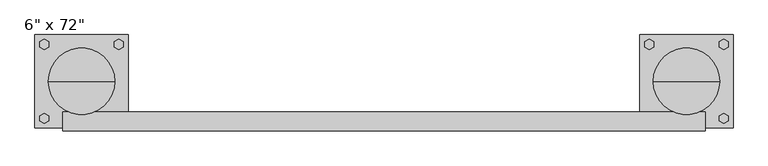
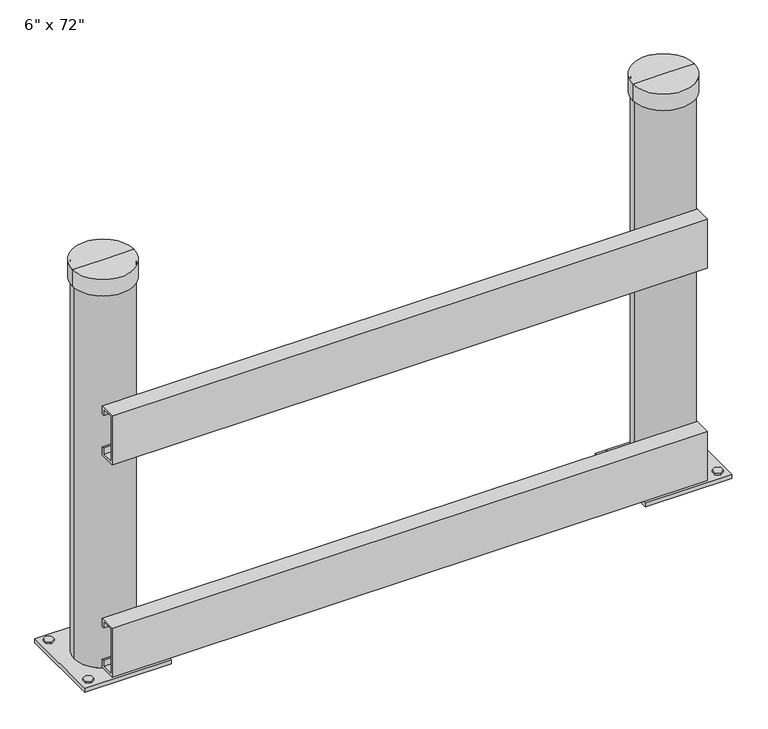
"""IFC4 building model written with IfcOpenShell, lengths in millimetres: proxy geometry."""

import ifcopenshell
import ifcopenshell.guid

model = None  # the IFC model being written
_history = None  # IfcOwnerHistory: only IFC2X3 demands one
_inside = {}  # id of a spatial element -> (the spatial element, [elements in it])
_under = {}  # id of a project, library or spatial element -> (it, [spatial elements below it])
_declared = {}  # id of a project -> (the project, [libraries it declares])
_typed = {}  # id of a type object -> (the type object, [elements of that type])
_made_of = {}  # id of a material, layer set ... -> (it, [elements and type objects made of it])


def new_model(schema):
    """Start an empty IFC model of exactly this schema.

    Asked for "IFC4X3", IfcOpenShell would pick the latest addendum, in which some entities
    have other attributes; the version numbers below select the first issue.
    IFC2X3 requires an IfcOwnerHistory on every rooted entity: one is made here for all.
    """
    global model, _history
    if schema == "IFC4X3":
        model = ifcopenshell.file(schema_version=(4, 3, 0, 0))
    else:
        model = ifcopenshell.file(schema=schema)
    _inside.clear()
    _under.clear()
    _declared.clear()
    _typed.clear()
    _made_of.clear()
    _history = None
    if model.schema == "IFC2X3":
        org = make("IfcOrganization", Name="unknown")
        user = make(
            "IfcPersonAndOrganization",
            ThePerson=make("IfcPerson", FamilyName="unknown"),
            TheOrganization=org,
        )
        app = make(
            "IfcApplication",
            ApplicationDeveloper=org,
            Version="unknown",
            ApplicationFullName="unknown",
            ApplicationIdentifier="unknown",
        )
        _history = make(
            "IfcOwnerHistory",
            OwningUser=user,
            OwningApplication=app,
            ChangeAction="ADDED",
            CreationDate=0,
        )
    return model


def make(cls, **values):
    """One entity of the class cls with the attributes given. An attribute that is None is left unset."""
    return model.create_entity(
        cls, **{name: value for name, value in values.items() if value is not None}
    )


def rooted(cls, **values):
    """An entity with a GlobalId (a new one), such as an element, a storey or a relation."""
    return make(cls, GlobalId=ifcopenshell.guid.new(), OwnerHistory=_history, **values)


def si_unit(unit_type, name, prefix=None):
    """IfcSIUnit, for example si_unit("LENGTHUNIT", "METRE", prefix="MILLI")."""
    return make("IfcSIUnit", UnitType=unit_type, Prefix=prefix, Name=name)


def assignment(units):
    """IfcUnitAssignment: the units of a project."""
    return None if units is None else make("IfcUnitAssignment", Units=units)


def point(xyz):
    """IfcCartesianPoint."""
    return None if xyz is None else make("IfcCartesianPoint", Coordinates=xyz)


def direction(xyz):
    """IfcDirection."""
    return None if xyz is None else make("IfcDirection", DirectionRatios=xyz)


def frame(location, z_axis=None, x_axis=None):
    """IfcAxis2Placement3D, a coordinate frame: its origin and axes. An axis left out is left unset."""
    return make(
        "IfcAxis2Placement3D",
        Location=point(location),
        Axis=direction(z_axis),
        RefDirection=direction(x_axis),
    )


def origin():
    """The frame at (0, 0, 0) with its axes left unset."""
    return frame((0.0, 0.0, 0.0))


def place(relative_to, where):
    """IfcLocalPlacement: puts the frame where relative to a parent placement (None: the world)."""
    return make(
        "IfcLocalPlacement", PlacementRelTo=relative_to, RelativePlacement=where
    )


def context(
    kind, dimensions, precision=None, world=None, true_north=None, identifier=None
):
    """IfcGeometricRepresentationContext, for example the 3D "Model" context."""
    return make(
        "IfcGeometricRepresentationContext",
        ContextIdentifier=identifier,
        ContextType=kind,
        CoordinateSpaceDimension=dimensions,
        Precision=precision,
        WorldCoordinateSystem=world,
        TrueNorth=true_north,
    )


def project(units=None, contexts=None):
    """IfcProject with its units and contexts."""
    return rooted(
        "IfcProject",
        Name="project",
        RepresentationContexts=contexts,
        UnitsInContext=assignment(units),
    )


def spatial(cls, under=None, at=None, **own):
    """A site, building, storey or space (cls), placed at a placement, below another one or the project."""
    s = rooted(cls, ObjectPlacement=at, **own)
    if under is not None:
        _under.setdefault(under.id(), (under, []))[1].append(s)
    return s


def polyline(points):
    """IfcPolyline through the points."""
    return make("IfcPolyline", Points=[point(p) for p in points])


def circle_curve(where, radius):
    """IfcCircle in the frame where."""
    return make("IfcCircle", Position=where, Radius=radius)


def outline(outer, holes=None, kind="AREA"):
    """IfcArbitraryClosedProfileDef: a profile drawn as a closed curve; with holes, ...WithVoids."""
    if holes is None:
        return make("IfcArbitraryClosedProfileDef", ProfileType=kind, OuterCurve=outer)
    return make(
        "IfcArbitraryProfileDefWithVoids",
        ProfileType=kind,
        OuterCurve=outer,
        InnerCurves=holes,
    )


def extrude(swept, where, along, depth):
    """IfcExtrudedAreaSolid: the profile swept, set in the frame where, extruded along a direction by depth."""
    return make(
        "IfcExtrudedAreaSolid",
        SweptArea=swept,
        Position=where,
        ExtrudedDirection=direction(along),
        Depth=depth,
    )


def shape(context_of_items, identifier, shape_type, items):
    """IfcShapeRepresentation: the items that make up one representation, for example the "Body"."""
    return make(
        "IfcShapeRepresentation",
        ContextOfItems=context_of_items,
        RepresentationIdentifier=identifier,
        RepresentationType=shape_type,
        Items=items,
    )


def source(mapping_origin, context_of_items, identifier, shape_type, items):
    """IfcRepresentationMap: a shape defined once, which mapped items show again and again."""
    return make(
        "IfcRepresentationMap",
        MappingOrigin=mapping_origin,
        MappedRepresentation=shape(context_of_items, identifier, shape_type, items),
    )


def transform(
    local_origin,
    x_axis=None,
    y_axis=None,
    z_axis=None,
    scale=None,
    scale2=None,
    scale3=None,
    uniform=True,
):
    """IfcCartesianTransformationOperator3D, or its non-uniform kind. x_axis, y_axis, z_axis: its Axis1, 2, 3."""
    if uniform:
        return make(
            "IfcCartesianTransformationOperator3D",
            Axis1=direction(x_axis),
            Axis2=direction(y_axis),
            LocalOrigin=point(local_origin),
            Scale=scale,
            Axis3=direction(z_axis),
        )
    return make(
        "IfcCartesianTransformationOperator3DnonUniform",
        Axis1=direction(x_axis),
        Axis2=direction(y_axis),
        LocalOrigin=point(local_origin),
        Scale=scale,
        Axis3=direction(z_axis),
        Scale2=scale2,
        Scale3=scale3,
    )


def mapped(mapping_source, mapping_target):
    """IfcMappedItem: shows the shape of a source again, moved by a transform."""
    return make(
        "IfcMappedItem", MappingSource=mapping_source, MappingTarget=mapping_target
    )


def made_of(thing, what):
    """Note that an element or type object is made of a material, layer set ...; save() writes the relation."""
    if what is not None:
        _made_of.setdefault(what.id(), (what, []))[1].append(thing)
    return thing


def element(
    cls,
    number,
    at=None,
    inside=None,
    cuts=None,
    type_object=None,
    material=None,
    context=None,
    identifier="Body",
    shape_type=None,
    held_by="IfcProductDefinitionShape",
    body=None,
    shapes=None,
    **own,
):
    """One element of the class cls, such as IfcWall. Its Tag is "e" and its number.

    at: its placement. inside: the storey or other place that contains it. cuts: it is an
    opening in that element (IfcRelVoidsElement). A single representation is given by context,
    identifier, shape_type and body (its items); several are given by shapes. held_by: the class
    of the entity that holds the representations. save() writes the other relations.
    """
    e = rooted(cls, Tag="e%d" % number, ObjectPlacement=at, **own)
    if body is not None:
        shapes = [shape(context, identifier, shape_type, body)]
    if shapes is not None:
        e.Representation = make(held_by, Representations=shapes)
    if inside is not None:
        _inside.setdefault(inside.id(), (inside, []))[1].append(e)
    if cuts is not None:
        rooted(
            "IfcRelVoidsElement", RelatingBuildingElement=cuts, RelatedOpeningElement=e
        )
    if type_object is not None:
        _typed.setdefault(type_object.id(), (type_object, []))[1].append(e)
    return made_of(e, material)


def aggregate(whole, parts):
    """IfcRelAggregates: a whole, such as a stair, and the parts it consists of."""
    return rooted("IfcRelAggregates", RelatingObject=whole, RelatedObjects=parts)


def save(model, path):
    """Write the relations noted so far, then the file.

    IfcRelAggregates (storeys below a building ...), IfcRelContainedInSpatialStructure (elements
    in a storey), IfcRelDefinesByType, IfcRelAssociatesMaterial and IfcRelDeclares: one each for
    every whole, place, type object, material and project.
    """
    for whole, parts in _under.values():
        aggregate(whole, parts)
    for where, things in _inside.values():
        rooted(
            "IfcRelContainedInSpatialStructure",
            RelatedElements=things,
            RelatingStructure=where,
        )
    for kind, things in _typed.values():
        rooted("IfcRelDefinesByType", RelatedObjects=things, RelatingType=kind)
    for what, things in _made_of.values():
        rooted("IfcRelAssociatesMaterial", RelatedObjects=things, RelatingMaterial=what)
    for by, libraries in _declared.values():
        rooted("IfcRelDeclares", RelatingContext=by, RelatedDefinitions=libraries)
    model.write(path)


def plane_surface(at):
    """IfcPlane: the flat surface through the origin of the frame at, square to its z axis."""
    return make("IfcPlane", Position=at)


def cylinder_surface(at, radius):
    """IfcCylindricalSurface: all points at the distance radius from the z axis of the frame at."""
    return make("IfcCylindricalSurface", Position=at, Radius=radius)


def revolved_surface(curve, axis_point, axis_direction):
    """IfcSurfaceOfRevolution: the curve turned about the line through axis_point along axis_direction."""
    return make(
        "IfcSurfaceOfRevolution",
        SweptCurve=make("IfcArbitraryOpenProfileDef", ProfileType="CURVE", Curve=curve),
        AxisPosition=make("IfcAxis1Placement", Location=point(axis_point), Axis=direction(axis_direction)),
    )


def advanced_brep(points, edges, surfaces, faces):
    """IfcAdvancedBrep: a solid bounded by faces that lie on surfaces and meet in shared edges.

    An edge is (start, end): straight between two places in points (the first is 0);
    or (start, end, curve); or (start, end, curve, False) where it runs against its curve.
    A face is (place in surfaces, loops), or (place, loops, False) where it looks against
    its surface's normal. A loop lists edges by number (the first is 1), with a minus sign
    where the edge is run from its end to its start. The first loop is the outer one.
    """
    corners = [point(p) for p in points]
    vertices = [make("IfcVertexPoint", VertexGeometry=c) for c in corners]
    made = []
    for start, end, *more in edges:
        made.append(
            make(
                "IfcEdgeCurve",
                EdgeStart=vertices[start],
                EdgeEnd=vertices[end],
                EdgeGeometry=more[0] if more else make("IfcPolyline", Points=[corners[start], corners[end]]),
                SameSense=more[1] if len(more) > 1 else True,
            )
        )
    hull = []
    for where, loops, *sense in faces:
        bounds = []
        for j, loop in enumerate(loops):
            ring = [make("IfcOrientedEdge", EdgeElement=made[abs(k) - 1], Orientation=k > 0) for k in loop]
            bounds.append(
                make(
                    "IfcFaceOuterBound" if j == 0 else "IfcFaceBound",
                    Bound=make("IfcEdgeLoop", EdgeList=ring),
                    Orientation=True,
                )
            )
        hull.append(make("IfcAdvancedFace", Bounds=bounds, FaceSurface=surfaces[where], SameSense=sense[0] if sense else True))
    return make("IfcAdvancedBrep", Outer=make("IfcClosedShell", CfsFaces=hull))


def proxy_ac0a9ae7(model_context):
    return source(origin(), model_context, "Body", "SolidModel", [
        extrude(outline(polyline([(722.1894644, -115.3513169), (709.956499, -108.2886111), (709.956499, -94.1631994), (722.1894644, -87.1004935), (734.4224297, -94.1631994), (734.4224297, -108.2886111), (722.1894644, -115.3513169)])), frame((0.0, 0.0, 12.7), z_axis=(0.0, 0.0, 1.0), x_axis=(1.0, 0.0, 0.0)), (0.0, 0.0, 1.0), 6.3730774),
        extrude(outline(polyline([(925.2386606, -115.3513169), (913.0056953, -108.2886111), (913.0056953, -94.1631994), (925.2386606, -87.1004935), (937.471626, -94.1631994), (937.471626, -108.2886111), (925.2386606, -115.3513169)])), frame((0.0, 0.0, 12.7), z_axis=(0.0, 0.0, 1.0), x_axis=(1.0, 0.0, 0.0)), (0.0, 0.0, 1.0), 6.3730774),
        extrude(outline(polyline([(722.1894644, 115.3513169), (734.4224297, 108.2886111), (734.4224297, 94.1631994), (722.1894644, 87.1004935), (709.956499, 94.1631994), (709.956499, 108.2886111), (722.1894644, 115.3513169)])), frame((0.0, 0.0, 12.7), z_axis=(0.0, 0.0, 1.0), x_axis=(1.0, 0.0, 0.0)), (0.0, 0.0, 1.0), 6.3730774),
        extrude(outline(polyline([(925.2386606, 115.3513169), (937.471626, 108.2886111), (937.471626, 94.1631994), (925.2386606, 87.1004935), (913.0056953, 94.1631994), (913.0056953, 108.2886111), (925.2386606, 115.3513169)])), frame((0.0, 0.0, 12.7), z_axis=(0.0, 0.0, 1.0), x_axis=(1.0, 0.0, 0.0)), (0.0, 0.0, 1.0), 6.3730774),
        advanced_brep(
        [(696.9125, -127.0, 12.7), (950.9125, -127.0, 12.7), (950.9125, 127.0, 12.7), (696.9125, 127.0, 12.7), (739.775, 0.0, 12.7), (908.05, 0.0, 12.7), (935.0375, 101.6, 12.7), (915.9875, 101.6, 12.7), (731.8375, 101.6, 12.7), (712.7875, 101.6, 12.7), (935.0375, -101.6, 12.7), (915.9875, -101.6, 12.7), (731.8375, -101.6, 12.7), (712.7875, -101.6, 12.7), (747.7125, 0.0, 12.7), (900.1125, 0.0, 12.7), (696.9125, -127.0, 0.0), (696.9125, 127.0, 0.0), (950.9125, 127.0, 0.0), (950.9125, -127.0, 0.0), (935.0375, 101.6, 0.0), (915.9875, 101.6, 0.0), (731.8375, 101.6, 0.0), (712.7875, 101.6, 0.0), (935.0375, -101.6, 0.0), (915.9875, -101.6, 0.0), (731.8375, -101.6, 0.0), (712.7875, -101.6, 0.0), (908.05, 0.0, 1219.2), (739.775, 0.0, 1219.2), (900.1125, 0.0, 1219.2), (747.7125, 0.0, 1219.2)],
        [
            (0, 1),
            (1, 2),
            (2, 3),
            (3, 0),
            (4, 5, circle_curve(frame((823.9125, 0.0, 12.7), z_axis=(0.0, 0.0, -1.0), x_axis=(-1.0, 0.0, 0.0)), 84.1375)),
            (5, 4, circle_curve(frame((823.9125, 0.0, 12.7), z_axis=(0.0, 0.0, -1.0), x_axis=(-1.0, 0.0, 0.0)), 84.1375)),
            (6, 7, circle_curve(frame((925.5125, 101.6, 12.7), z_axis=(0.0, 0.0, -1.0), x_axis=(-1.0, 0.0, 0.0)), 9.525)),
            (7, 6, circle_curve(frame((925.5125, 101.6, 12.7), z_axis=(0.0, 0.0, -1.0), x_axis=(-1.0, 0.0, 0.0)), 9.525)),
            (8, 9, circle_curve(frame((722.3125, 101.6, 12.7), z_axis=(0.0, 0.0, -1.0), x_axis=(-1.0, 0.0, 0.0)), 9.525)),
            (9, 8, circle_curve(frame((722.3125, 101.6, 12.7), z_axis=(0.0, 0.0, -1.0), x_axis=(-1.0, 0.0, 0.0)), 9.525)),
            (10, 11, circle_curve(frame((925.5125, -101.6, 12.7), z_axis=(0.0, 0.0, -1.0), x_axis=(-1.0, 0.0, 0.0)), 9.525)),
            (11, 10, circle_curve(frame((925.5125, -101.6, 12.7), z_axis=(0.0, 0.0, -1.0), x_axis=(-1.0, 0.0, 0.0)), 9.525)),
            (12, 13, circle_curve(frame((722.3125, -101.6, 12.7), z_axis=(0.0, 0.0, -1.0), x_axis=(-1.0, 0.0, 0.0)), 9.525)),
            (13, 12, circle_curve(frame((722.3125, -101.6, 12.7), z_axis=(0.0, 0.0, -1.0), x_axis=(-1.0, 0.0, 0.0)), 9.525)),
            (14, 15, circle_curve(frame((823.9125, 0.0, 12.7), z_axis=(0.0, 0.0, 1.0), x_axis=(-1.0, 0.0, 0.0)), 76.2)),
            (15, 14, circle_curve(frame((823.9125, 0.0, 12.7), z_axis=(0.0, 0.0, 1.0), x_axis=(-1.0, 0.0, 0.0)), 76.2)),
            (16, 17),
            (17, 18),
            (18, 19),
            (19, 16),
            (20, 21, circle_curve(frame((925.5125, 101.6, 0.0), z_axis=(0.0, 0.0, 1.0), x_axis=(-1.0, 0.0, 0.0)), 9.525)),
            (21, 20, circle_curve(frame((925.5125, 101.6, 0.0), z_axis=(0.0, 0.0, 1.0), x_axis=(-1.0, 0.0, 0.0)), 9.525)),
            (22, 23, circle_curve(frame((722.3125, 101.6, 0.0), z_axis=(0.0, 0.0, 1.0), x_axis=(-1.0, 0.0, 0.0)), 9.525)),
            (23, 22, circle_curve(frame((722.3125, 101.6, 0.0), z_axis=(0.0, 0.0, 1.0), x_axis=(-1.0, 0.0, 0.0)), 9.525)),
            (24, 25, circle_curve(frame((925.5125, -101.6, 0.0), z_axis=(0.0, 0.0, 1.0), x_axis=(-1.0, 0.0, 0.0)), 9.525)),
            (25, 24, circle_curve(frame((925.5125, -101.6, 0.0), z_axis=(0.0, 0.0, 1.0), x_axis=(-1.0, 0.0, 0.0)), 9.525)),
            (26, 27, circle_curve(frame((722.3125, -101.6, 0.0), z_axis=(0.0, 0.0, 1.0), x_axis=(-1.0, 0.0, 0.0)), 9.525)),
            (27, 26, circle_curve(frame((722.3125, -101.6, 0.0), z_axis=(0.0, 0.0, 1.0), x_axis=(-1.0, 0.0, 0.0)), 9.525)),
            (3, 17),
            (16, 0),
            (2, 18),
            (1, 19),
            (28, 29, circle_curve(frame((823.9125, 0.0, 1219.2), z_axis=(0.0, 0.0, 1.0), x_axis=(-1.0, 0.0, 0.0)), 84.1375)),
            (29, 28, circle_curve(frame((823.9125, 0.0, 1219.2), z_axis=(0.0, 0.0, 1.0), x_axis=(-1.0, 0.0, 0.0)), 84.1375)),
            (30, 31, circle_curve(frame((823.9125, 0.0, 1219.2), z_axis=(0.0, 0.0, -1.0), x_axis=(-1.0, 0.0, 0.0)), 76.2)),
            (31, 30, circle_curve(frame((823.9125, 0.0, 1219.2), z_axis=(0.0, 0.0, -1.0), x_axis=(-1.0, 0.0, 0.0)), 76.2)),
            (29, 4),
            (5, 28),
            (31, 14),
            (15, 30),
            (7, 21),
            (20, 6),
            (9, 23),
            (22, 8),
            (11, 25),
            (24, 10),
            (13, 27),
            (26, 12),
        ],
        [
            plane_surface(frame((696.9125, 1524.0, 12.7), z_axis=(0.0, 0.0, 1.0), x_axis=(0.0, 1.0, 0.0))),
            plane_surface(frame((696.9125, 1524.0, 0.0), z_axis=(0.0, 0.0, -1.0), x_axis=(0.0, -1.0, 0.0))),
            plane_surface(frame((696.9125, -127.0, 12.7), z_axis=(-1.0, 0.0, 0.0), x_axis=(0.0, 0.0, -1.0))),
            plane_surface(frame((696.9125, 127.0, 12.7), z_axis=(0.0, 1.0, 0.0), x_axis=(0.0, 0.0, -1.0))),
            plane_surface(frame((950.9125, 127.0, 12.7), z_axis=(1.0, 0.0, 0.0), x_axis=(0.0, 0.0, -1.0))),
            plane_surface(frame((950.9125, -127.0, 12.7), z_axis=(0.0, -1.0, 0.0), x_axis=(0.0, 0.0, -1.0))),
            plane_surface(frame((739.775, 0.0, 1219.2), z_axis=(0.0, 0.0, 1.0), x_axis=(0.0, 1.0, 0.0))),
            cylinder_surface(frame((823.9125, 0.0, 12.7), z_axis=(0.0, 0.0, 1.0), x_axis=(-1.0, 0.0, 0.0)), 84.1375),
            revolved_surface(polyline([(747.7125, 0.0, 12.7), (747.7125, 0.0, 1219.2)]), (823.9125, 0.0, 0.0), (0.0, 0.0, -1.0)),
            revolved_surface(polyline([(915.9875000000001, 101.6, 0.0), (915.9875000000001, 101.6, 12.7)]), (925.5125, 101.6, 0.0), (0.0, 0.0, -1.0)),
            revolved_surface(polyline([(712.7875, 101.6, 0.0), (712.7875, 101.6, 12.7)]), (722.3125, 101.6, 0.0), (0.0, 0.0, -1.0)),
            revolved_surface(polyline([(915.9875000000001, -101.6, 0.0), (915.9875000000001, -101.6, 12.7)]), (925.5125, -101.6, 0.0), (0.0, 0.0, -1.0)),
            revolved_surface(polyline([(712.7875, -101.6, 0.0), (712.7875, -101.6, 12.7)]), (722.3125, -101.6, 0.0), (0.0, 0.0, -1.0)),
        ],
        [
            (0, [[1, 2, 3, 4], [5, 6], [7, 8], [9, 10], [11, 12], [13, 14]]),
            (0, [[15, 16]]),
            (1, [[17, 18, 19, 20], [21, 22], [23, 24], [25, 26], [27, 28]]),
            (2, [[29, -17, 30, -4]]),
            (3, [[31, -18, -29, -3]]),
            (4, [[32, -19, -31, -2]]),
            (5, [[-30, -20, -32, -1]]),
            (6, [[33, 34], [35, 36]]),
            (7, [[37, -6, 38, -34]]),
            (7, [[-38, -5, -37, -33]]),
            (8, [[39, -16, 40, -36]]),
            (8, [[-40, -15, -39, -35]]),
            (9, [[41, -21, 42, -8]]),
            (9, [[-42, -22, -41, -7]]),
            (10, [[43, -23, 44, -10]]),
            (10, [[-44, -24, -43, -9]]),
            (11, [[45, -25, 46, -12]]),
            (11, [[-46, -26, -45, -11]]),
            (12, [[47, -27, 48, -14]]),
            (12, [[-48, -28, -47, -13]]),
        ],
    ),
        advanced_brep(
        [(733.425, 0.0, 1174.75), (733.425, 0.0, 1225.55), (914.4, 0.0, 1225.55), (914.4, 0.0, 1174.75), (739.775, 0.0, 1174.75), (908.05, 0.0, 1174.75), (739.775, 0.0, 1219.2), (908.05, 0.0, 1219.2), (823.9125, 0.0, 1219.2), (823.9125, 0.0, 1225.55)],
        [
            (0, 1),
            (1, 2, circle_curve(frame((823.9125, 0.0, 1225.55), z_axis=(0.0, 0.0, -1.0), x_axis=(1.0, 0.0, 0.0)), 90.4875)),
            (2, 3),
            (3, 0, circle_curve(frame((823.9125, 0.0, 1174.75), z_axis=(0.0, 0.0, 1.0), x_axis=(1.0, 0.0, 0.0)), 90.4875)),
            (2, 1, circle_curve(frame((823.9125, 0.0, 1225.55), z_axis=(0.0, 0.0, -1.0), x_axis=(1.0, 0.0, 0.0)), 90.4875)),
            (0, 3, circle_curve(frame((823.9125, 0.0, 1174.75), z_axis=(0.0, 0.0, 1.0), x_axis=(1.0, 0.0, 0.0)), 90.4875)),
            (4, 0),
            (3, 5),
            (5, 4, circle_curve(frame((823.9125, 0.0, 1174.75), z_axis=(0.0, 0.0, 1.0), x_axis=(1.0, 0.0, 0.0)), 84.1375)),
            (4, 5, circle_curve(frame((823.9125, 0.0, 1174.75), z_axis=(0.0, 0.0, 1.0), x_axis=(1.0, 0.0, 0.0)), 84.1375)),
            (6, 4),
            (5, 7),
            (7, 6, circle_curve(frame((823.9125, 0.0, 1219.2), z_axis=(0.0, 0.0, 1.0), x_axis=(1.0, 0.0, 0.0)), 84.1375)),
            (6, 7, circle_curve(frame((823.9125, 0.0, 1219.2), z_axis=(0.0, 0.0, 1.0), x_axis=(1.0, 0.0, 0.0)), 84.1375)),
            (8, 6),
            (7, 8),
            (1, 9),
            (9, 2),
        ],
        [
            cylinder_surface(frame((823.9125, 0.0, 2609.0581012), z_axis=(0.0, 0.0, -1.0), x_axis=(1.0, 0.0, 0.0)), 90.4875),
            plane_surface(frame((823.9125, 0.0, 1174.75), z_axis=(0.0, 0.0, -1.0), x_axis=(1.0, 0.0, 0.0))),
            revolved_surface(polyline([(908.0500000000001, 0.0, 1174.75), (908.0500000000001, 0.0, 1219.2)]), (823.9125, 0.0, 2609.0581012), (0.0, 0.0, -1.0)),
            plane_surface(frame((823.9125, 0.0, 1219.2), z_axis=(0.0, 0.0, -1.0), x_axis=(1.0, 0.0, 0.0))),
            plane_surface(frame((823.9125, 0.0, 1225.55), z_axis=(0.0, 0.0, 1.0), x_axis=(1.0, 0.0, 0.0))),
        ],
        [
            (0, [[1, 2, 3, 4]]),
            (0, [[-3, 5, -1, 6]]),
            (1, [[7, -4, 8, 9]]),
            (1, [[-8, -6, -7, 10]]),
            (2, [[11, -9, 12, 13]]),
            (2, [[-12, -10, -11, 14]]),
            (3, [[15, -13, 16]]),
            (3, [[-16, -14, -15]]),
            (4, [[17, 18, -2]]),
            (4, [[-18, -17, -5]]),
        ],
    ),
        extrude(outline(polyline([(-722.1894644, -115.3513169), (-734.4224297, -108.2886111), (-734.4224297, -94.1631994), (-722.1894644, -87.1004935), (-709.956499, -94.1631994), (-709.956499, -108.2886111), (-722.1894644, -115.3513169)])), frame((0.0, 0.0, 12.7), z_axis=(0.0, 0.0, 1.0), x_axis=(1.0, 0.0, 0.0)), (0.0, 0.0, 1.0), 6.3730774),
        extrude(outline(polyline([(-925.2386606, -115.3513169), (-937.471626, -108.2886111), (-937.471626, -94.1631994), (-925.2386606, -87.1004935), (-913.0056953, -94.1631994), (-913.0056953, -108.2886111), (-925.2386606, -115.3513169)])), frame((0.0, 0.0, 12.7), z_axis=(0.0, 0.0, 1.0), x_axis=(1.0, 0.0, 0.0)), (0.0, 0.0, 1.0), 6.3730774),
        extrude(outline(polyline([(-722.1894644, 115.3513169), (-709.956499, 108.2886111), (-709.956499, 94.1631994), (-722.1894644, 87.1004935), (-734.4224297, 94.1631994), (-734.4224297, 108.2886111), (-722.1894644, 115.3513169)])), frame((0.0, 0.0, 12.7), z_axis=(0.0, 0.0, 1.0), x_axis=(1.0, 0.0, 0.0)), (0.0, 0.0, 1.0), 6.3730774),
        extrude(outline(polyline([(-925.2386606, 115.3513169), (-913.0056953, 108.2886111), (-913.0056953, 94.1631994), (-925.2386606, 87.1004935), (-937.471626, 94.1631994), (-937.471626, 108.2886111), (-925.2386606, 115.3513169)])), frame((0.0, 0.0, 12.7), z_axis=(0.0, 0.0, 1.0), x_axis=(1.0, 0.0, 0.0)), (0.0, 0.0, 1.0), 6.3730774),
        advanced_brep(
        [(-696.9125, -127.0, 12.7), (-696.9125, 127.0, 12.7), (-950.9125, 127.0, 12.7), (-950.9125, -127.0, 12.7), (-739.775, 0.0, 12.7), (-908.05, 0.0, 12.7), (-935.0375, 101.6, 12.7), (-915.9875, 101.6, 12.7), (-731.8375, 101.6, 12.7), (-712.7875, 101.6, 12.7), (-935.0375, -101.6, 12.7), (-915.9875, -101.6, 12.7), (-731.8375, -101.6, 12.7), (-712.7875, -101.6, 12.7), (-747.7125, 0.0, 12.7), (-900.1125, 0.0, 12.7), (-696.9125, -127.0, 0.0), (-950.9125, -127.0, 0.0), (-950.9125, 127.0, 0.0), (-696.9125, 127.0, 0.0), (-935.0375, 101.6, 0.0), (-915.9875, 101.6, 0.0), (-731.8375, 101.6, 0.0), (-712.7875, 101.6, 0.0), (-935.0375, -101.6, 0.0), (-915.9875, -101.6, 0.0), (-731.8375, -101.6, 0.0), (-712.7875, -101.6, 0.0), (-908.05, 0.0, 1219.2), (-739.775, 0.0, 1219.2), (-900.1125, 0.0, 1219.2), (-747.7125, 0.0, 1219.2)],
        [
            (0, 1),
            (1, 2),
            (2, 3),
            (3, 0),
            (4, 5, circle_curve(frame((-823.9125, 0.0, 12.7), z_axis=(0.0, 0.0, -1.0), x_axis=(1.0, 0.0, 0.0)), 84.1375)),
            (5, 4, circle_curve(frame((-823.9125, 0.0, 12.7), z_axis=(0.0, 0.0, -1.0), x_axis=(1.0, 0.0, 0.0)), 84.1375)),
            (6, 7, circle_curve(frame((-925.5125, 101.6, 12.7), z_axis=(0.0, 0.0, -1.0), x_axis=(1.0, 0.0, 0.0)), 9.525)),
            (7, 6, circle_curve(frame((-925.5125, 101.6, 12.7), z_axis=(0.0, 0.0, -1.0), x_axis=(1.0, 0.0, 0.0)), 9.525)),
            (8, 9, circle_curve(frame((-722.3125, 101.6, 12.7), z_axis=(0.0, 0.0, -1.0), x_axis=(1.0, 0.0, 0.0)), 9.525)),
            (9, 8, circle_curve(frame((-722.3125, 101.6, 12.7), z_axis=(0.0, 0.0, -1.0), x_axis=(1.0, 0.0, 0.0)), 9.525)),
            (10, 11, circle_curve(frame((-925.5125, -101.6, 12.7), z_axis=(0.0, 0.0, -1.0), x_axis=(1.0, 0.0, 0.0)), 9.525)),
            (11, 10, circle_curve(frame((-925.5125, -101.6, 12.7), z_axis=(0.0, 0.0, -1.0), x_axis=(1.0, 0.0, 0.0)), 9.525)),
            (12, 13, circle_curve(frame((-722.3125, -101.6, 12.7), z_axis=(0.0, 0.0, -1.0), x_axis=(1.0, 0.0, 0.0)), 9.525)),
            (13, 12, circle_curve(frame((-722.3125, -101.6, 12.7), z_axis=(0.0, 0.0, -1.0), x_axis=(1.0, 0.0, 0.0)), 9.525)),
            (14, 15, circle_curve(frame((-823.9125, 0.0, 12.7), z_axis=(0.0, 0.0, 1.0), x_axis=(1.0, 0.0, 0.0)), 76.2)),
            (15, 14, circle_curve(frame((-823.9125, 0.0, 12.7), z_axis=(0.0, 0.0, 1.0), x_axis=(1.0, 0.0, 0.0)), 76.2)),
            (16, 17),
            (17, 18),
            (18, 19),
            (19, 16),
            (20, 21, circle_curve(frame((-925.5125, 101.6, 0.0), z_axis=(0.0, 0.0, 1.0), x_axis=(1.0, 0.0, 0.0)), 9.525)),
            (21, 20, circle_curve(frame((-925.5125, 101.6, 0.0), z_axis=(0.0, 0.0, 1.0), x_axis=(1.0, 0.0, 0.0)), 9.525)),
            (22, 23, circle_curve(frame((-722.3125, 101.6, 0.0), z_axis=(0.0, 0.0, 1.0), x_axis=(1.0, 0.0, 0.0)), 9.525)),
            (23, 22, circle_curve(frame((-722.3125, 101.6, 0.0), z_axis=(0.0, 0.0, 1.0), x_axis=(1.0, 0.0, 0.0)), 9.525)),
            (24, 25, circle_curve(frame((-925.5125, -101.6, 0.0), z_axis=(0.0, 0.0, 1.0), x_axis=(1.0, 0.0, 0.0)), 9.525)),
            (25, 24, circle_curve(frame((-925.5125, -101.6, 0.0), z_axis=(0.0, 0.0, 1.0), x_axis=(1.0, 0.0, 0.0)), 9.525)),
            (26, 27, circle_curve(frame((-722.3125, -101.6, 0.0), z_axis=(0.0, 0.0, 1.0), x_axis=(1.0, 0.0, 0.0)), 9.525)),
            (27, 26, circle_curve(frame((-722.3125, -101.6, 0.0), z_axis=(0.0, 0.0, 1.0), x_axis=(1.0, 0.0, 0.0)), 9.525)),
            (0, 16),
            (19, 1),
            (18, 2),
            (17, 3),
            (28, 29, circle_curve(frame((-823.9125, 0.0, 1219.2), z_axis=(0.0, 0.0, 1.0), x_axis=(1.0, 0.0, 0.0)), 84.1375)),
            (29, 28, circle_curve(frame((-823.9125, 0.0, 1219.2), z_axis=(0.0, 0.0, 1.0), x_axis=(1.0, 0.0, 0.0)), 84.1375)),
            (30, 31, circle_curve(frame((-823.9125, 0.0, 1219.2), z_axis=(0.0, 0.0, -1.0), x_axis=(1.0, 0.0, 0.0)), 76.2)),
            (31, 30, circle_curve(frame((-823.9125, 0.0, 1219.2), z_axis=(0.0, 0.0, -1.0), x_axis=(1.0, 0.0, 0.0)), 76.2)),
            (28, 5),
            (4, 29),
            (30, 15),
            (14, 31),
            (6, 20),
            (21, 7),
            (8, 22),
            (23, 9),
            (10, 24),
            (25, 11),
            (12, 26),
            (27, 13),
        ],
        [
            plane_surface(frame((-696.9125, 1524.0, 12.7), z_axis=(0.0, 0.0, 1.0), x_axis=(0.0, 1.0, 0.0))),
            plane_surface(frame((-696.9125, 1524.0, 0.0), z_axis=(0.0, 0.0, -1.0), x_axis=(0.0, -1.0, 0.0))),
            plane_surface(frame((-696.9125, -127.0, 12.7), z_axis=(1.0, 0.0, 0.0), x_axis=(0.0, 0.0, -1.0))),
            plane_surface(frame((-696.9125, 127.0, 12.7), z_axis=(0.0, 1.0, 0.0), x_axis=(0.0, 0.0, -1.0))),
            plane_surface(frame((-950.9125, 127.0, 12.7), z_axis=(-1.0, 0.0, 0.0), x_axis=(0.0, 0.0, -1.0))),
            plane_surface(frame((-950.9125, -127.0, 12.7), z_axis=(0.0, -1.0, 0.0), x_axis=(0.0, 0.0, -1.0))),
            plane_surface(frame((-739.775, 0.0, 1219.2), z_axis=(0.0, 0.0, 1.0), x_axis=(0.0, 1.0, 0.0))),
            cylinder_surface(frame((-823.9125, 0.0, 12.7), z_axis=(0.0, 0.0, 1.0), x_axis=(1.0, 0.0, 0.0)), 84.1375),
            revolved_surface(polyline([(-747.7125, 0.0, 12.7), (-747.7125, 0.0, 1219.2)]), (-823.9125, 0.0, 0.0), (0.0, 0.0, -1.0)),
            revolved_surface(polyline([(-915.9875000000001, 101.6, 0.0), (-915.9875000000001, 101.6, 12.7)]), (-925.5125, 101.6, 0.0), (0.0, 0.0, -1.0)),
            revolved_surface(polyline([(-712.7875, 101.6, 0.0), (-712.7875, 101.6, 12.7)]), (-722.3125, 101.6, 0.0), (0.0, 0.0, -1.0)),
            revolved_surface(polyline([(-915.9875000000001, -101.6, 0.0), (-915.9875000000001, -101.6, 12.7)]), (-925.5125, -101.6, 0.0), (0.0, 0.0, -1.0)),
            revolved_surface(polyline([(-712.7875, -101.6, 0.0), (-712.7875, -101.6, 12.7)]), (-722.3125, -101.6, 0.0), (0.0, 0.0, -1.0)),
        ],
        [
            (0, [[1, 2, 3, 4], [5, 6], [7, 8], [9, 10], [11, 12], [13, 14]]),
            (0, [[15, 16]]),
            (1, [[17, 18, 19, 20], [21, 22], [23, 24], [25, 26], [27, 28]]),
            (2, [[-1, 29, -20, 30]]),
            (3, [[-2, -30, -19, 31]]),
            (4, [[-3, -31, -18, 32]]),
            (5, [[-4, -32, -17, -29]]),
            (6, [[33, 34], [35, 36]]),
            (7, [[-33, 37, -5, 38]]),
            (7, [[-34, -38, -6, -37]]),
            (8, [[-35, 39, -15, 40]]),
            (8, [[-36, -40, -16, -39]]),
            (9, [[-7, 41, -22, 42]]),
            (9, [[-8, -42, -21, -41]]),
            (10, [[-9, 43, -24, 44]]),
            (10, [[-10, -44, -23, -43]]),
            (11, [[-11, 45, -26, 46]]),
            (11, [[-12, -46, -25, -45]]),
            (12, [[-13, 47, -28, 48]]),
            (12, [[-14, -48, -27, -47]]),
        ],
    ),
        advanced_brep(
        [(-733.425, 0.0, 1174.75), (-914.4, 0.0, 1174.75), (-914.4, 0.0, 1225.55), (-733.425, 0.0, 1225.55), (-739.775, 0.0, 1174.75), (-908.05, 0.0, 1174.75), (-739.775, 0.0, 1219.2), (-908.05, 0.0, 1219.2), (-823.9125, 0.0, 1219.2), (-823.9125, 0.0, 1225.55)],
        [
            (0, 1, circle_curve(frame((-823.9125, 0.0, 1174.75), z_axis=(0.0, 0.0, 1.0), x_axis=(-1.0, 0.0, 0.0)), 90.4875)),
            (1, 2),
            (2, 3, circle_curve(frame((-823.9125, 0.0, 1225.55), z_axis=(0.0, 0.0, -1.0), x_axis=(-1.0, 0.0, 0.0)), 90.4875)),
            (3, 0),
            (1, 0, circle_curve(frame((-823.9125, 0.0, 1174.75), z_axis=(0.0, 0.0, 1.0), x_axis=(-1.0, 0.0, 0.0)), 90.4875)),
            (3, 2, circle_curve(frame((-823.9125, 0.0, 1225.55), z_axis=(0.0, 0.0, -1.0), x_axis=(-1.0, 0.0, 0.0)), 90.4875)),
            (4, 5, circle_curve(frame((-823.9125, 0.0, 1174.75), z_axis=(0.0, 0.0, 1.0), x_axis=(-1.0, 0.0, 0.0)), 84.1375)),
            (5, 1),
            (0, 4),
            (5, 4, circle_curve(frame((-823.9125, 0.0, 1174.75), z_axis=(0.0, 0.0, 1.0), x_axis=(-1.0, 0.0, 0.0)), 84.1375)),
            (6, 7, circle_curve(frame((-823.9125, 0.0, 1219.2), z_axis=(0.0, 0.0, 1.0), x_axis=(-1.0, 0.0, 0.0)), 84.1375)),
            (7, 5),
            (4, 6),
            (7, 6, circle_curve(frame((-823.9125, 0.0, 1219.2), z_axis=(0.0, 0.0, 1.0), x_axis=(-1.0, 0.0, 0.0)), 84.1375)),
            (8, 7),
            (6, 8),
            (2, 9),
            (9, 3),
        ],
        [
            cylinder_surface(frame((-823.9125, 0.0, 2609.0581012), z_axis=(0.0, 0.0, -1.0), x_axis=(-1.0, 0.0, 0.0)), 90.4875),
            plane_surface(frame((-823.9125, 0.0, 1174.75), z_axis=(0.0, 0.0, -1.0), x_axis=(-1.0, 0.0, 0.0))),
            revolved_surface(polyline([(-908.0500000000001, 0.0, 1174.75), (-908.0500000000001, 0.0, 1219.2)]), (-823.9125, 0.0, 2609.0581012), (0.0, 0.0, -1.0)),
            plane_surface(frame((-823.9125, 0.0, 1219.2), z_axis=(0.0, 0.0, -1.0), x_axis=(-1.0, 0.0, 0.0))),
            plane_surface(frame((-823.9125, 0.0, 1225.55), z_axis=(0.0, 0.0, 1.0), x_axis=(-1.0, 0.0, 0.0))),
        ],
        [
            (0, [[1, 2, 3, 4]]),
            (0, [[5, -4, 6, -2]]),
            (1, [[7, 8, -1, 9]]),
            (1, [[10, -9, -5, -8]]),
            (2, [[11, 12, -7, 13]]),
            (2, [[14, -13, -10, -12]]),
            (3, [[15, -11, 16]]),
            (3, [[-16, -14, -15]]),
            (4, [[-3, 17, 18]]),
            (4, [[-6, -18, -17]]),
        ],
    ),
        extrude(outline(polyline([(-134.9375, 177.8), (-84.1375, 177.8), (-84.1375, 152.4), (-90.4875, 152.4), (-90.4875, 171.45), (-128.5875, 171.45), (-128.5875, 31.75), (-90.4875, 31.75), (-90.4875, 50.8), (-84.1375, 50.8), (-84.1375, 25.4), (-134.9375, 25.4), (-134.9375, 177.8)])), frame((-874.7125, 0.0, 0.0), z_axis=(1.0, 0.0, 0.0), x_axis=(0.0, 1.0, 0.0)), (0.0, 0.0, 1.0), 1749.425),
        extrude(outline(polyline([(-134.9375, 838.2), (-84.1375, 838.2), (-84.1375, 812.8), (-90.4875, 812.8), (-90.4875, 831.85), (-128.5875, 831.85), (-128.5875, 692.15), (-90.4875, 692.15), (-90.4875, 711.2), (-84.1375, 711.2), (-84.1375, 685.8), (-134.9375, 685.8), (-134.9375, 838.2)])), frame((-874.7125, 0.0, 0.0), z_axis=(1.0, 0.0, 0.0), x_axis=(0.0, 1.0, 0.0)), (0.0, 0.0, 1.0), 1749.425),
    ])


if __name__ == "__main__":
    model = new_model("IFC4")
    model_context = context("Model", 3, world=origin())
    ifc_project = project(units=[si_unit("LENGTHUNIT", "METRE", prefix="MILLI")], contexts=[model_context])
    site = spatial("IfcSite", under=ifc_project)
    building = spatial("IfcBuilding", under=site)
    placement = place(None, origin())
    proxy_shape = proxy_ac0a9ae7(model_context)
    element("IfcBuildingElementProxy", 1, Name="6\" x 72\"", ObjectType="6\" x 72\"", at=placement, inside=building, context=model_context, shape_type="MappedRepresentation", body=[
        mapped(proxy_shape, transform((0.0, 0.0, 0.0), x_axis=(1.0, 0.0, 0.0), y_axis=(0.0, 1.0, 0.0), z_axis=(0.0, 0.0, 1.0))),
    ])
    save(model, "model.ifc")
